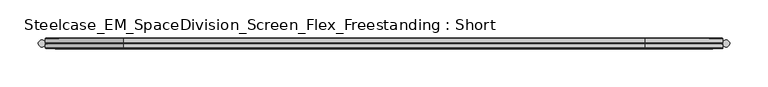
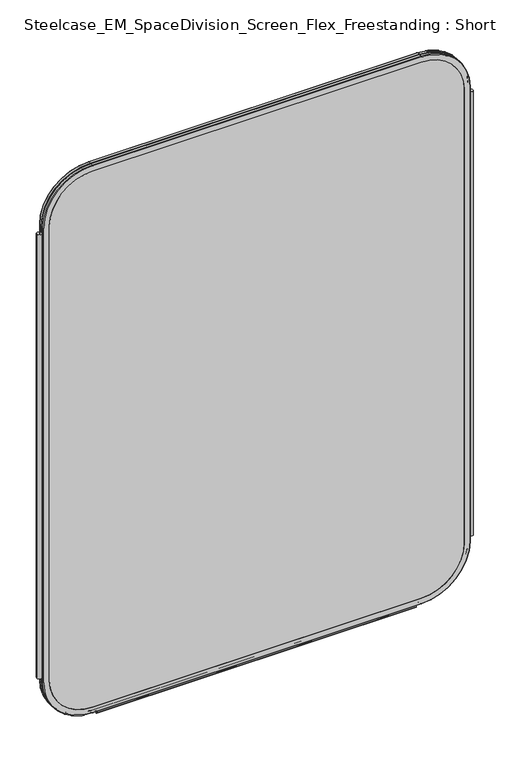
"""IFC4 building model written with IfcOpenShell, lengths in millimetres: furniture geometry, Steelcase_EM_SpaceDivision_Screen_Flex_Freestanding : Short."""

from ifc_helpers import new_model, si_unit, point, frame, frame_2d, origin, place, context, project, spatial, polyline, circle_curve, ellipse_curve, trimmed, segment, composite_curve, outline, extrude, source, transform, mapped, element, save
from ifc_brep_helpers import plane_surface, cylinder_surface, revolved_surface, advanced_brep


def steelcase_em_spacedivision_screen_flex_freestanding_short_716cc788(model_context):
    return source(origin(), model_context, "Body", "SolidModel", [
        extrude(outline(composite_curve([segment(trimmed(circle_curve(frame_2d((4.5307839, 0.0)), 4.572), [point((-0.0412161, 0.0))], [point((9.1027839, 0.0))], False, "CARTESIAN"), True, "CONTINUOUS"), segment(trimmed(circle_curve(frame_2d((4.5307839, 0.0)), 4.572), [point((9.1027839, 0.0))], [point((-0.0412161, 0.0))], False, "CARTESIAN"), True, "CONTINUOUS")], self_intersect=False)), frame((0.0, 0.0, 115.57), z_axis=(0.0, 0.0, 1.0), x_axis=(1.0, 0.0, 0.0)), (0.0, 0.0, 1.0), 968.86),
        extrude(outline(composite_curve([segment(trimmed(circle_curve(frame_2d((895.4692161, 0.0)), 4.572), [point((890.8972161, 0.0))], [point((900.0412161, 0.0))], False, "CARTESIAN"), True, "CONTINUOUS"), segment(trimmed(circle_curve(frame_2d((895.4692161, 0.0)), 4.572), [point((900.0412161, 0.0))], [point((890.8972161, 0.0))], False, "CARTESIAN"), True, "CONTINUOUS")], self_intersect=False)), frame((0.0, 0.0, 115.57), z_axis=(0.0, 0.0, 1.0), x_axis=(1.0, 0.0, 0.0)), (0.0, 0.0, 1.0), 968.86),
        extrude(outline(composite_curve([segment(trimmed(circle_curve(frame_2d((3.5, 2.4751953)), 2.5), [point((3.5, 4.9751953))], [point((1.4656663, 1.0220998))], False, "CARTESIAN"), True, "CONTINUOUS"), segment(trimmed(circle_curve(frame_2d((0.0, -0.0248047)), 1.8011626), [point((1.4656663, 1.0220998))], [point((-1.4656663, 1.0220998))], True, "CARTESIAN"), True, "CONTINUOUS"), segment(trimmed(circle_curve(frame_2d((-3.5, 2.4751953)), 2.5), [point((-1.4656663, 1.0220998))], [point((-3.5, 4.9751953))], False, "CARTESIAN"), True, "CONTINUOUS"), segment(trimmed(circle_curve(frame_2d((-3.5, 4.4751953)), 0.5), [point((-3.5, 4.9751953))], [point((-3.5, 3.9751953))], False, "CARTESIAN"), True, "CONTINUOUS"), segment(trimmed(circle_curve(frame_2d((-3.5, 2.4751953)), 1.5), [point((-3.5, 3.9751953))], [point((-2.3025096, 1.5718589))], True, "CARTESIAN"), True, "CONTINUOUS"), segment(trimmed(circle_curve(frame_2d((-10.3325937, 7.629417)), 10.0586411), [point((-2.3025096, 1.5718589))], [point((-0.714976, 4.6836248))], True, "CARTESIAN"), True, "CONTINUOUS"), segment(trimmed(circle_curve(frame_2d((0.0, 4.4646339)), 0.7477618), [point((-0.714976, 4.6836248))], [point((0.714976, 4.6836248))], False, "CARTESIAN"), True, "CONTINUOUS"), segment(trimmed(circle_curve(frame_2d((10.3325937, 7.629417)), 10.0586411), [point((0.714976, 4.6836248))], [point((2.3025096, 1.5718589))], True, "CARTESIAN"), True, "CONTINUOUS"), segment(trimmed(circle_curve(frame_2d((3.5, 2.4751953)), 1.5), [point((2.3025096, 1.5718589))], [point((3.5, 3.9751953))], True, "CARTESIAN"), True, "CONTINUOUS"), segment(trimmed(circle_curve(frame_2d((3.5, 4.4751953)), 0.5), [point((3.5, 3.9751953))], [point((3.5, 4.9751953))], False, "CARTESIAN"), True, "CONTINUOUS")], self_intersect=False)), frame((120.0, 0.0, 0.0), z_axis=(1.0, 0.0, 0.0), x_axis=(0.0, 1.0, 0.0)), (0.0, 0.0, 1.0), 660.0),
        advanced_brep(
        [(9.9273521, 0.0, 1098.4), (9.9273521, 0.0, 106.5996464), (110.7653521, 0.0, 5.7616464), (789.2594661, 0.0, 5.7616464), (890.0974661, 0.0, 106.5996464), (890.0974661, 0.0, 1098.4), (789.2594661, 0.0, 1199.238), (110.7653521, 0.0, 1199.238), (789.2594661, 0.0, 17.6996464), (110.7653521, 0.0, 17.6996464), (21.8653521, 0.0, 106.5996464), (21.8653521, 0.0, 1098.4), (110.7653521, 0.0, 1187.3), (789.2594661, 0.0, 1187.3), (878.1594661, 0.0, 1098.4), (878.1594661, 0.0, 106.5996464), (110.7653521, 0.762, 1200.0), (9.1653521, 0.762, 1098.4), (110.7653521, 6.096, 1200.0), (9.1653521, 6.096, 1098.4), (110.7653521, 6.858, 1199.238), (9.9273521, 6.858, 1098.4), (21.8653521, 6.858, 1098.4), (110.7653521, 6.858, 1187.3), (789.2594661, 0.762, 1200.0), (789.2594661, 6.096, 1200.0), (789.2594661, 6.858, 1199.238), (789.2594661, 6.858, 1187.3), (890.8594661, 0.762, 1098.4), (890.8594661, 6.096, 1098.4), (890.0974661, 6.858, 1098.4), (878.1594661, 6.858, 1098.4), (890.8594661, 0.762, 106.5996464), (890.8594661, 6.096, 106.5996464), (890.0974661, 6.858, 106.5996464), (878.1594661, 6.858, 106.5996464), (789.2594661, 0.762, 4.9996464), (789.2594661, 6.096, 4.9996464), (789.2594661, 6.858, 5.7616464), (789.2594661, 6.858, 17.6996464), (110.7653521, 0.762, 4.9996464), (110.7653521, 6.096, 4.9996464), (110.7653521, 6.858, 5.7616464), (110.7653521, 6.858, 17.6996464), (9.1653521, 0.762, 106.5996464), (9.1653521, 6.096, 106.5996464), (9.9273521, 6.858, 106.5996464), (21.8653521, 6.858, 106.5996464)],
        [
            (0, 1),
            (1, 2, circle_curve(frame((110.7653521, 0.0, 106.5996464), z_axis=(0.0, -1.0, 0.0), x_axis=(0.0, 0.0, -1.0)), 100.838)),
            (2, 3),
            (3, 4, circle_curve(frame((789.2594661, 0.0, 106.5996464), z_axis=(0.0, -1.0, 0.0), x_axis=(1.0, 0.0, 0.0)), 100.838)),
            (4, 5),
            (5, 6, circle_curve(frame((789.2594661, 0.0, 1098.4), z_axis=(0.0, -1.0, 0.0), x_axis=(0.0, 0.0, 1.0)), 100.838)),
            (6, 7),
            (7, 0, circle_curve(frame((110.7653521, 0.0, 1098.4), z_axis=(0.0, -1.0, 0.0), x_axis=(-1.0, 0.0, 0.0)), 100.838)),
            (8, 9),
            (9, 10, circle_curve(frame((110.7653521, 0.0, 106.5996464), z_axis=(0.0, 1.0, 0.0), x_axis=(0.0, 0.0, -1.0)), 88.9)),
            (10, 11),
            (11, 12, circle_curve(frame((110.7653521, 0.0, 1098.4), z_axis=(0.0, 1.0, 0.0), x_axis=(-1.0, 0.0, 0.0)), 88.9)),
            (12, 13),
            (13, 14, circle_curve(frame((789.2594661, 0.0, 1098.4), z_axis=(0.0, 1.0, 0.0), x_axis=(0.0, 0.0, 1.0)), 88.9)),
            (14, 15),
            (15, 8, circle_curve(frame((789.2594661, 0.0, 106.5996464), z_axis=(0.0, 1.0, 0.0), x_axis=(1.0, 0.0, 0.0)), 88.9)),
            (16, 17, circle_curve(frame((110.7653521, 0.762, 1098.4), z_axis=(0.0, -1.0, 0.0), x_axis=(-1.0, 0.0, 0.0)), 101.6)),
            (17, 0, circle_curve(frame((9.9273521, 0.762, 1098.4), z_axis=(0.0, 0.0, 1.0), x_axis=(-1.0, 0.0, 0.0)), 0.762)),
            (7, 16, circle_curve(frame((110.7653521, 0.762, 1199.238), z_axis=(-1.0, 0.0, 0.0), x_axis=(0.0, 0.0, 1.0)), 0.762)),
            (18, 19, circle_curve(frame((110.7653521, 6.096, 1098.4), z_axis=(0.0, -1.0, 0.0), x_axis=(-1.0, 0.0, 0.0)), 101.6)),
            (19, 17),
            (16, 18),
            (20, 21, circle_curve(frame((110.7653521, 6.858, 1098.4), z_axis=(0.0, -1.0, 0.0), x_axis=(-1.0, 0.0, 0.0)), 100.838)),
            (21, 19, circle_curve(frame((9.9273521, 6.096, 1098.4), z_axis=(0.0, 0.0, 1.0), x_axis=(-1.0, 0.0, 0.0)), 0.762)),
            (18, 20, circle_curve(frame((110.7653521, 6.096, 1199.238), z_axis=(-1.0, 0.0, 0.0), x_axis=(0.0, 0.0, 1.0)), 0.762)),
            (11, 22),
            (22, 23, circle_curve(frame((110.7653521, 6.858, 1098.4), z_axis=(0.0, 1.0, 0.0), x_axis=(-1.0, 0.0, 0.0)), 88.9)),
            (23, 12),
            (6, 24, circle_curve(frame((789.2594661, 0.762, 1199.238), z_axis=(-1.0, 0.0, 0.0), x_axis=(0.0, 0.0, 1.0)), 0.762)),
            (24, 16),
            (24, 25),
            (25, 18),
            (25, 26, circle_curve(frame((789.2594661, 6.096, 1199.238), z_axis=(-1.0, 0.0, 0.0), x_axis=(0.0, 0.0, 1.0)), 0.762)),
            (26, 20),
            (23, 27),
            (27, 13),
            (28, 24, circle_curve(frame((789.2594661, 0.762, 1098.4), z_axis=(0.0, -1.0, 0.0), x_axis=(0.0, 0.0, 1.0)), 101.6)),
            (5, 28, circle_curve(frame((890.0974661, 0.762, 1098.4), z_axis=(0.0, 0.0, 1.0), x_axis=(1.0, 0.0, 0.0)), 0.762)),
            (29, 25, circle_curve(frame((789.2594661, 6.096, 1098.4), z_axis=(0.0, -1.0, 0.0), x_axis=(0.0, 0.0, 1.0)), 101.6)),
            (28, 29),
            (30, 26, circle_curve(frame((789.2594661, 6.858, 1098.4), z_axis=(0.0, -1.0, 0.0), x_axis=(0.0, 0.0, 1.0)), 100.838)),
            (29, 30, circle_curve(frame((890.0974661, 6.096, 1098.4), z_axis=(0.0, 0.0, 1.0), x_axis=(1.0, 0.0, 0.0)), 0.762)),
            (27, 31, circle_curve(frame((789.2594661, 6.858, 1098.4), z_axis=(0.0, 1.0, 0.0), x_axis=(0.0, 0.0, 1.0)), 88.9)),
            (31, 14),
            (4, 32, circle_curve(frame((890.0974661, 0.762, 106.5996464), z_axis=(0.0, 0.0, 1.0), x_axis=(1.0, 0.0, 0.0)), 0.762)),
            (32, 28),
            (32, 33),
            (33, 29),
            (33, 34, circle_curve(frame((890.0974661, 6.096, 106.5996464), z_axis=(0.0, 0.0, 1.0), x_axis=(1.0, 0.0, 0.0)), 0.762)),
            (34, 30),
            (31, 35),
            (35, 15),
            (36, 32, circle_curve(frame((789.2594661, 0.762, 106.5996464), z_axis=(0.0, -1.0, 0.0), x_axis=(1.0, 0.0, 0.0)), 101.6)),
            (3, 36, circle_curve(frame((789.2594661, 0.762, 5.7616464), z_axis=(1.0, 0.0, 0.0), x_axis=(0.0, 0.0, -1.0)), 0.762)),
            (37, 33, circle_curve(frame((789.2594661, 6.096, 106.5996464), z_axis=(0.0, -1.0, 0.0), x_axis=(1.0, 0.0, 0.0)), 101.6)),
            (36, 37),
            (38, 34, circle_curve(frame((789.2594661, 6.858, 106.5996464), z_axis=(0.0, -1.0, 0.0), x_axis=(1.0, 0.0, 0.0)), 100.838)),
            (37, 38, circle_curve(frame((789.2594661, 6.096, 5.7616464), z_axis=(1.0, 0.0, 0.0), x_axis=(0.0, 0.0, -1.0)), 0.762)),
            (35, 39, circle_curve(frame((789.2594661, 6.858, 106.5996464), z_axis=(0.0, 1.0, 0.0), x_axis=(1.0, 0.0, 0.0)), 88.9)),
            (39, 8),
            (2, 40, circle_curve(frame((110.7653521, 0.762, 5.7616464), z_axis=(1.0, 0.0, 0.0), x_axis=(0.0, 0.0, -1.0)), 0.762)),
            (40, 36),
            (40, 41),
            (41, 37),
            (41, 42, circle_curve(frame((110.7653521, 6.096, 5.7616464), z_axis=(1.0, 0.0, 0.0), x_axis=(0.0, 0.0, -1.0)), 0.762)),
            (42, 38),
            (39, 43),
            (43, 9),
            (44, 40, circle_curve(frame((110.7653521, 0.762, 106.5996464), z_axis=(0.0, -1.0, 0.0), x_axis=(0.0, 0.0, -1.0)), 101.6)),
            (1, 44, circle_curve(frame((9.9273521, 0.762, 106.5996464), z_axis=(0.0, 0.0, -1.0), x_axis=(-1.0, 0.0, 0.0)), 0.762)),
            (45, 41, circle_curve(frame((110.7653521, 6.096, 106.5996464), z_axis=(0.0, -1.0, 0.0), x_axis=(0.0, 0.0, -1.0)), 101.6)),
            (44, 45),
            (46, 42, circle_curve(frame((110.7653521, 6.858, 106.5996464), z_axis=(0.0, -1.0, 0.0), x_axis=(0.0, 0.0, -1.0)), 100.838)),
            (45, 46, circle_curve(frame((9.9273521, 6.096, 106.5996464), z_axis=(0.0, 0.0, -1.0), x_axis=(-1.0, 0.0, 0.0)), 0.762)),
            (43, 47, circle_curve(frame((110.7653521, 6.858, 106.5996464), z_axis=(0.0, 1.0, 0.0), x_axis=(0.0, 0.0, -1.0)), 88.9)),
            (47, 10),
            (17, 44),
            (19, 45),
            (21, 46),
            (22, 47),
        ],
        [
            plane_surface(frame((21.8653521, 0.0, 106.5996464), z_axis=(0.0, -1.0, 0.0), x_axis=(0.0, 0.0, 1.0))),
            revolved_surface(trimmed(ellipse_curve(frame((9.9273521, 0.762, 1098.4), z_axis=(0.0, 0.0, -1.0), x_axis=(-1.0, 0.0, 0.0)), 0.762, 0.762), [point((9.9273521, 0.0, 1098.4))], [point((9.1653521, 0.762, 1098.4))], True, "CARTESIAN"), (110.7653521, 0.0, 1098.4), (0.0, 1.0, 0.0)),
            cylinder_surface(frame((110.7653521, 0.0, 1098.4), z_axis=(0.0, 1.0, 0.0), x_axis=(-1.0, 0.0, 0.0)), 101.6),
            revolved_surface(trimmed(ellipse_curve(frame((9.9273521, 6.096, 1098.4), z_axis=(0.0, 0.0, -1.0), x_axis=(-1.0, 0.0, 0.0)), 0.762, 0.762), [point((9.1653521, 6.096, 1098.4))], [point((9.9273521, 6.858, 1098.4))], True, "CARTESIAN"), (110.7653521, 0.0, 1098.4), (0.0, 1.0, 0.0)),
            revolved_surface(polyline([(21.865352099999996, 6.858, 1098.4), (21.865352099999996, 0.0, 1098.4)]), (110.7653521, 0.0, 1098.4), (0.0, 1.0, 0.0)),
            cylinder_surface(frame((110.7653521, 0.762, 1199.238), z_axis=(-1.0, 0.0, 0.0), x_axis=(0.0, 0.0, 1.0)), 0.762),
            plane_surface(frame((110.7653521, 0.762, 1200.0), z_axis=(0.0, 0.0, 1.0), x_axis=(1.0, 0.0, 0.0))),
            cylinder_surface(frame((110.7653521, 6.096, 1199.238), z_axis=(-1.0, 0.0, 0.0), x_axis=(0.0, 0.0, 1.0)), 0.762),
            plane_surface(frame((110.7653521, 6.858, 1187.3), z_axis=(0.0, 0.0, -1.0), x_axis=(1.0, 0.0, 0.0))),
            revolved_surface(trimmed(ellipse_curve(frame((789.2594661, 0.762, 1199.238), z_axis=(-1.0, 0.0, 0.0), x_axis=(0.0, 0.0, 1.0)), 0.762, 0.762), [point((789.2594661, 0.0, 1199.238))], [point((789.2594661, 0.762, 1200.0))], True, "CARTESIAN"), (789.2594661, 0.0, 1098.4), (0.0, 1.0, 0.0)),
            cylinder_surface(frame((789.2594661, 0.0, 1098.4), z_axis=(0.0, 1.0, 0.0), x_axis=(0.0, 0.0, 1.0)), 101.6),
            revolved_surface(trimmed(ellipse_curve(frame((789.2594661, 6.096, 1199.238), z_axis=(-1.0, 0.0, 0.0), x_axis=(0.0, 0.0, 1.0)), 0.762, 0.762), [point((789.2594661, 6.096, 1200.0))], [point((789.2594661, 6.858, 1199.238))], True, "CARTESIAN"), (789.2594661, 0.0, 1098.4), (0.0, 1.0, 0.0)),
            revolved_surface(polyline([(789.2594661, 6.858, 1187.3000000000002), (789.2594661, 0.0, 1187.3000000000002)]), (789.2594661, 0.0, 1098.4), (0.0, 1.0, 0.0)),
            cylinder_surface(frame((890.0974661, 0.762, 1098.4), z_axis=(0.0, 0.0, 1.0), x_axis=(1.0, 0.0, 0.0)), 0.762),
            plane_surface(frame((890.8594661, 0.762, 1098.4), z_axis=(1.0, 0.0, 0.0), x_axis=(0.0, 0.0, -1.0))),
            cylinder_surface(frame((890.0974661, 6.096, 1098.4), z_axis=(0.0, 0.0, 1.0), x_axis=(1.0, 0.0, 0.0)), 0.762),
            plane_surface(frame((878.1594661, 6.858, 1098.4), z_axis=(-1.0, 0.0, 0.0), x_axis=(0.0, 0.0, -1.0))),
            revolved_surface(trimmed(ellipse_curve(frame((890.0974661, 0.762, 106.5996464), z_axis=(0.0, 0.0, 1.0), x_axis=(1.0, 0.0, 0.0)), 0.762, 0.762), [point((890.0974661, 0.0, 106.5996464))], [point((890.8594661, 0.762, 106.5996464))], True, "CARTESIAN"), (789.2594661, 0.0, 106.5996464), (0.0, 1.0, 0.0)),
            cylinder_surface(frame((789.2594661, 0.0, 106.5996464), z_axis=(0.0, 1.0, 0.0), x_axis=(1.0, 0.0, 0.0)), 101.6),
            revolved_surface(trimmed(ellipse_curve(frame((890.0974661, 6.096, 106.5996464), z_axis=(0.0, 0.0, 1.0), x_axis=(1.0, 0.0, 0.0)), 0.762, 0.762), [point((890.8594661, 6.096, 106.5996464))], [point((890.0974661, 6.858, 106.5996464))], True, "CARTESIAN"), (789.2594661, 0.0, 106.5996464), (0.0, 1.0, 0.0)),
            revolved_surface(polyline([(878.1594661, 6.858, 106.5996464), (878.1594661, 0.0, 106.5996464)]), (789.2594661, 0.0, 106.5996464), (0.0, 1.0, 0.0)),
            cylinder_surface(frame((789.2594661, 0.762, 5.7616464), z_axis=(1.0, 0.0, 0.0), x_axis=(0.0, 0.0, -1.0)), 0.762),
            plane_surface(frame((789.2594661, 0.762, 4.9996464), z_axis=(0.0, 0.0, -1.0), x_axis=(-1.0, 0.0, 0.0))),
            cylinder_surface(frame((789.2594661, 6.096, 5.7616464), z_axis=(1.0, 0.0, 0.0), x_axis=(0.0, 0.0, -1.0)), 0.762),
            plane_surface(frame((789.2594661, 6.858, 17.6996464), z_axis=(0.0, 0.0, 1.0), x_axis=(-1.0, 0.0, 0.0))),
            revolved_surface(trimmed(ellipse_curve(frame((110.7653521, 0.762, 5.7616464), z_axis=(1.0, 0.0, 0.0), x_axis=(0.0, 0.0, -1.0)), 0.762, 0.762), [point((110.7653521, 0.0, 5.7616464))], [point((110.7653521, 0.762, 4.9996464))], True, "CARTESIAN"), (110.7653521, 0.0, 106.5996464), (0.0, 1.0, 0.0)),
            cylinder_surface(frame((110.7653521, 0.0, 106.5996464), z_axis=(0.0, 1.0, 0.0), x_axis=(0.0, 0.0, -1.0)), 101.6),
            revolved_surface(trimmed(ellipse_curve(frame((110.7653521, 6.096, 5.7616464), z_axis=(1.0, 0.0, 0.0), x_axis=(0.0, 0.0, -1.0)), 0.762, 0.762), [point((110.7653521, 6.096, 4.9996464))], [point((110.7653521, 6.858, 5.7616464))], True, "CARTESIAN"), (110.7653521, 0.0, 106.5996464), (0.0, 1.0, 0.0)),
            revolved_surface(polyline([(110.7653521, 6.858, 17.699646399999992), (110.7653521, 0.0, 17.699646399999992)]), (110.7653521, 0.0, 106.5996464), (0.0, 1.0, 0.0)),
            cylinder_surface(frame((9.9273521, 0.762, 106.5996464), z_axis=(0.0, 0.0, -1.0), x_axis=(-1.0, 0.0, 0.0)), 0.762),
            plane_surface(frame((9.1653521, 0.762, 106.5996464), z_axis=(-1.0, 0.0, 0.0), x_axis=(0.0, 0.0, 1.0))),
            cylinder_surface(frame((9.9273521, 6.096, 106.5996464), z_axis=(0.0, 0.0, -1.0), x_axis=(-1.0, 0.0, 0.0)), 0.762),
            plane_surface(frame((9.9273521, 6.858, 106.5996464), z_axis=(0.0, 1.0, 0.0), x_axis=(0.0, 0.0, 1.0))),
            plane_surface(frame((21.8653521, 6.858, 106.5996464), z_axis=(1.0, 0.0, 0.0), x_axis=(0.0, 0.0, 1.0))),
        ],
        [
            (0, [[1, 2, 3, 4, 5, 6, 7, 8], [9, 10, 11, 12, 13, 14, 15, 16]]),
            (1, [[17, 18, -8, 19]]),
            (2, [[20, 21, -17, 22]]),
            (3, [[23, 24, -20, 25]]),
            (4, [[-12, 26, 27, 28]]),
            (5, [[-19, -7, 29, 30]]),
            (6, [[-22, -30, 31, 32]]),
            (7, [[-25, -32, 33, 34]]),
            (8, [[-28, 35, 36, -13]]),
            (9, [[37, -29, -6, 38]]),
            (10, [[39, -31, -37, 40]]),
            (11, [[41, -33, -39, 42]]),
            (12, [[-14, -36, 43, 44]]),
            (13, [[-38, -5, 45, 46]]),
            (14, [[-40, -46, 47, 48]]),
            (15, [[-42, -48, 49, 50]]),
            (16, [[-44, 51, 52, -15]]),
            (17, [[53, -45, -4, 54]]),
            (18, [[55, -47, -53, 56]]),
            (19, [[57, -49, -55, 58]]),
            (20, [[-16, -52, 59, 60]]),
            (21, [[-54, -3, 61, 62]]),
            (22, [[-56, -62, 63, 64]]),
            (23, [[-58, -64, 65, 66]]),
            (24, [[-60, 67, 68, -9]]),
            (25, [[69, -61, -2, 70]]),
            (26, [[71, -63, -69, 72]]),
            (27, [[73, -65, -71, 74]]),
            (28, [[-10, -68, 75, 76]]),
            (29, [[-70, -1, -18, 77]]),
            (30, [[-72, -77, -21, 78]]),
            (31, [[-74, -78, -24, 79]]),
            (32, [[-66, -73, -79, -23, -34, -41, -50, -57], [80, -75, -67, -59, -51, -43, -35, -27]]),
            (33, [[-76, -80, -26, -11]]),
        ],
    ),
        extrude(outline(composite_curve([segment(polyline([(1187.3, 789.2594661), (1187.3, 110.7653521)]), True, "CONTINUOUS"), segment(trimmed(circle_curve(frame_2d((1098.4, 110.7653521)), 88.9), [point((1187.3, 110.7653521))], [point((1098.4, 21.8653521))], False, "CARTESIAN"), True, "CONTINUOUS"), segment(polyline([(1098.4, 21.8653521), (106.5996464, 21.8653521)]), True, "CONTINUOUS"), segment(trimmed(circle_curve(frame_2d((106.5996464, 110.7653521)), 88.9), [point((106.5996464, 21.8653521))], [point((17.6996464, 110.7653521))], False, "CARTESIAN"), True, "CONTINUOUS"), segment(polyline([(17.6996464, 110.7653521), (17.6996464, 789.2594661)]), True, "CONTINUOUS"), segment(trimmed(circle_curve(frame_2d((106.5996464, 789.2594661)), 88.9), [point((17.6996464, 789.2594661))], [point((106.5996464, 878.1594661))], False, "CARTESIAN"), True, "CONTINUOUS"), segment(polyline([(106.5996464, 878.1594661), (1098.4, 878.1594661)]), True, "CONTINUOUS"), segment(trimmed(circle_curve(frame_2d((1098.4, 789.2594661)), 88.9), [point((1098.4, 878.1594661))], [point((1187.3, 789.2594661))], False, "CARTESIAN"), True, "CONTINUOUS")], self_intersect=False)), frame((0.0, 0.0, 0.0), z_axis=(0.0, 1.0, 0.0), x_axis=(0.0, 0.0, 1.0)), (0.0, 0.0, 1.0), 6.858),
        advanced_brep(
        [(110.7653521, -6.858, 1187.3), (21.8653521, -6.858, 1098.4), (21.8653521, 0.0, 1098.4), (110.7653521, 0.0, 1187.3), (110.7653521, -6.096, 1200.0), (9.1653521, -6.096, 1098.4), (9.9273521, -6.858, 1098.4), (110.7653521, -6.858, 1199.238), (110.7653521, -0.762, 1200.0), (9.1653521, -0.762, 1098.4), (110.7653521, 0.0, 1199.238), (9.9273521, 0.0, 1098.4), (789.2594661, 0.0, 1187.3), (789.2594661, -6.858, 1187.3), (789.2594661, -6.858, 1199.238), (789.2594661, -6.096, 1200.0), (789.2594661, -0.762, 1200.0), (789.2594661, 0.0, 1199.238), (878.1594661, -6.858, 1098.4), (878.1594661, 0.0, 1098.4), (890.8594661, -6.096, 1098.4), (890.0974661, -6.858, 1098.4), (890.8594661, -0.762, 1098.4), (890.0974661, 0.0, 1098.4), (878.1594661, 0.0, 106.5996464), (878.1594661, -6.858, 106.5996464), (890.0974661, -6.858, 106.5996464), (890.8594661, -6.096, 106.5996464), (890.8594661, -0.762, 106.5996464), (890.0974661, 0.0, 106.5996464), (789.2594661, -6.858, 17.6996464), (789.2594661, 0.0, 17.6996464), (789.2594661, -6.096, 4.9996464), (789.2594661, -6.858, 5.7616464), (789.2594661, -0.762, 4.9996464), (789.2594661, 0.0, 5.7616464), (110.7653521, 0.0, 17.6996464), (110.7653521, -6.858, 17.6996464), (110.7653521, -6.858, 5.7616464), (110.7653521, -6.096, 4.9996464), (110.7653521, -0.762, 4.9996464), (110.7653521, 0.0, 5.7616464), (21.8653521, -6.858, 106.5996464), (21.8653521, 0.0, 106.5996464), (9.1653521, -6.096, 106.5996464), (9.9273521, -6.858, 106.5996464), (9.1653521, -0.762, 106.5996464), (9.9273521, 0.0, 106.5996464)],
        [
            (0, 1, circle_curve(frame((110.7653521, -6.858, 1098.4), z_axis=(0.0, -1.0, 0.0), x_axis=(-1.0, 0.0, 0.0)), 88.9)),
            (1, 2),
            (2, 3, circle_curve(frame((110.7653521, 0.0, 1098.4), z_axis=(0.0, 1.0, 0.0), x_axis=(-1.0, 0.0, 0.0)), 88.9)),
            (3, 0),
            (4, 5, circle_curve(frame((110.7653521, -6.096, 1098.4), z_axis=(0.0, -1.0, 0.0), x_axis=(-1.0, 0.0, 0.0)), 101.6)),
            (5, 6, circle_curve(frame((9.9273521, -6.096, 1098.4), z_axis=(0.0, 0.0, 1.0), x_axis=(-1.0, 0.0, 0.0)), 0.762)),
            (6, 7, circle_curve(frame((110.7653521, -6.858, 1098.4), z_axis=(0.0, 1.0, 0.0), x_axis=(-1.0, 0.0, 0.0)), 100.838)),
            (7, 4, circle_curve(frame((110.7653521, -6.096, 1199.238), z_axis=(-1.0, 0.0, 0.0), x_axis=(0.0, 0.0, 1.0)), 0.762)),
            (8, 9, circle_curve(frame((110.7653521, -0.762, 1098.4), z_axis=(0.0, -1.0, 0.0), x_axis=(-1.0, 0.0, 0.0)), 101.6)),
            (9, 5),
            (4, 8),
            (10, 11, circle_curve(frame((110.7653521, 0.0, 1098.4), z_axis=(0.0, -1.0, 0.0), x_axis=(-1.0, 0.0, 0.0)), 100.838)),
            (11, 9, circle_curve(frame((9.9273521, -0.762, 1098.4), z_axis=(0.0, 0.0, 1.0), x_axis=(-1.0, 0.0, 0.0)), 0.762)),
            (8, 10, circle_curve(frame((110.7653521, -0.762, 1199.238), z_axis=(-1.0, 0.0, 0.0), x_axis=(0.0, 0.0, 1.0)), 0.762)),
            (3, 12),
            (12, 13),
            (13, 0),
            (7, 14),
            (14, 15, circle_curve(frame((789.2594661, -6.096, 1199.238), z_axis=(-1.0, 0.0, 0.0), x_axis=(0.0, 0.0, 1.0)), 0.762)),
            (15, 4),
            (15, 16),
            (16, 8),
            (16, 17, circle_curve(frame((789.2594661, -0.762, 1199.238), z_axis=(-1.0, 0.0, 0.0), x_axis=(0.0, 0.0, 1.0)), 0.762)),
            (17, 10),
            (18, 13, circle_curve(frame((789.2594661, -6.858, 1098.4), z_axis=(0.0, -1.0, 0.0), x_axis=(0.0, 0.0, 1.0)), 88.9)),
            (12, 19, circle_curve(frame((789.2594661, 0.0, 1098.4), z_axis=(0.0, 1.0, 0.0), x_axis=(0.0, 0.0, 1.0)), 88.9)),
            (19, 18),
            (20, 15, circle_curve(frame((789.2594661, -6.096, 1098.4), z_axis=(0.0, -1.0, 0.0), x_axis=(0.0, 0.0, 1.0)), 101.6)),
            (14, 21, circle_curve(frame((789.2594661, -6.858, 1098.4), z_axis=(0.0, 1.0, 0.0), x_axis=(0.0, 0.0, 1.0)), 100.838)),
            (21, 20, circle_curve(frame((890.0974661, -6.096, 1098.4), z_axis=(0.0, 0.0, 1.0), x_axis=(1.0, 0.0, 0.0)), 0.762)),
            (22, 16, circle_curve(frame((789.2594661, -0.762, 1098.4), z_axis=(0.0, -1.0, 0.0), x_axis=(0.0, 0.0, 1.0)), 101.6)),
            (20, 22),
            (23, 17, circle_curve(frame((789.2594661, 0.0, 1098.4), z_axis=(0.0, -1.0, 0.0), x_axis=(0.0, 0.0, 1.0)), 100.838)),
            (22, 23, circle_curve(frame((890.0974661, -0.762, 1098.4), z_axis=(0.0, 0.0, 1.0), x_axis=(1.0, 0.0, 0.0)), 0.762)),
            (19, 24),
            (24, 25),
            (25, 18),
            (21, 26),
            (26, 27, circle_curve(frame((890.0974661, -6.096, 106.5996464), z_axis=(0.0, 0.0, 1.0), x_axis=(1.0, 0.0, 0.0)), 0.762)),
            (27, 20),
            (27, 28),
            (28, 22),
            (28, 29, circle_curve(frame((890.0974661, -0.762, 106.5996464), z_axis=(0.0, 0.0, 1.0), x_axis=(1.0, 0.0, 0.0)), 0.762)),
            (29, 23),
            (30, 25, circle_curve(frame((789.2594661, -6.858, 106.5996464), z_axis=(0.0, -1.0, 0.0), x_axis=(1.0, 0.0, 0.0)), 88.9)),
            (24, 31, circle_curve(frame((789.2594661, 0.0, 106.5996464), z_axis=(0.0, 1.0, 0.0), x_axis=(1.0, 0.0, 0.0)), 88.9)),
            (31, 30),
            (32, 27, circle_curve(frame((789.2594661, -6.096, 106.5996464), z_axis=(0.0, -1.0, 0.0), x_axis=(1.0, 0.0, 0.0)), 101.6)),
            (26, 33, circle_curve(frame((789.2594661, -6.858, 106.5996464), z_axis=(0.0, 1.0, 0.0), x_axis=(1.0, 0.0, 0.0)), 100.838)),
            (33, 32, circle_curve(frame((789.2594661, -6.096, 5.7616464), z_axis=(1.0, 0.0, 0.0), x_axis=(0.0, 0.0, -1.0)), 0.762)),
            (34, 28, circle_curve(frame((789.2594661, -0.762, 106.5996464), z_axis=(0.0, -1.0, 0.0), x_axis=(1.0, 0.0, 0.0)), 101.6)),
            (32, 34),
            (35, 29, circle_curve(frame((789.2594661, 0.0, 106.5996464), z_axis=(0.0, -1.0, 0.0), x_axis=(1.0, 0.0, 0.0)), 100.838)),
            (34, 35, circle_curve(frame((789.2594661, -0.762, 5.7616464), z_axis=(1.0, 0.0, 0.0), x_axis=(0.0, 0.0, -1.0)), 0.762)),
            (31, 36),
            (36, 37),
            (37, 30),
            (33, 38),
            (38, 39, circle_curve(frame((110.7653521, -6.096, 5.7616464), z_axis=(1.0, 0.0, 0.0), x_axis=(0.0, 0.0, -1.0)), 0.762)),
            (39, 32),
            (39, 40),
            (40, 34),
            (40, 41, circle_curve(frame((110.7653521, -0.762, 5.7616464), z_axis=(1.0, 0.0, 0.0), x_axis=(0.0, 0.0, -1.0)), 0.762)),
            (41, 35),
            (42, 37, circle_curve(frame((110.7653521, -6.858, 106.5996464), z_axis=(0.0, -1.0, 0.0), x_axis=(0.0, 0.0, -1.0)), 88.9)),
            (36, 43, circle_curve(frame((110.7653521, 0.0, 106.5996464), z_axis=(0.0, 1.0, 0.0), x_axis=(0.0, 0.0, -1.0)), 88.9)),
            (43, 42),
            (44, 39, circle_curve(frame((110.7653521, -6.096, 106.5996464), z_axis=(0.0, -1.0, 0.0), x_axis=(0.0, 0.0, -1.0)), 101.6)),
            (38, 45, circle_curve(frame((110.7653521, -6.858, 106.5996464), z_axis=(0.0, 1.0, 0.0), x_axis=(0.0, 0.0, -1.0)), 100.838)),
            (45, 44, circle_curve(frame((9.9273521, -6.096, 106.5996464), z_axis=(0.0, 0.0, -1.0), x_axis=(-1.0, 0.0, 0.0)), 0.762)),
            (46, 40, circle_curve(frame((110.7653521, -0.762, 106.5996464), z_axis=(0.0, -1.0, 0.0), x_axis=(0.0, 0.0, -1.0)), 101.6)),
            (44, 46),
            (47, 41, circle_curve(frame((110.7653521, 0.0, 106.5996464), z_axis=(0.0, -1.0, 0.0), x_axis=(0.0, 0.0, -1.0)), 100.838)),
            (46, 47, circle_curve(frame((9.9273521, -0.762, 106.5996464), z_axis=(0.0, 0.0, -1.0), x_axis=(-1.0, 0.0, 0.0)), 0.762)),
            (43, 2),
            (1, 42),
            (6, 45),
            (5, 44),
            (9, 46),
            (11, 47),
        ],
        [
            revolved_surface(polyline([(21.865352099999996, 0.0, 1098.4), (21.865352099999996, -6.858, 1098.4)]), (110.7653521, 0.0, 1098.4), (0.0, 1.0, 0.0)),
            revolved_surface(trimmed(ellipse_curve(frame((9.9273521, -6.096, 1098.4), z_axis=(0.0, 0.0, -1.0), x_axis=(-1.0, 0.0, 0.0)), 0.762, 0.762), [point((9.9273521, -6.858, 1098.4))], [point((9.1653521, -6.096, 1098.4))], True, "CARTESIAN"), (110.7653521, 0.0, 1098.4), (0.0, 1.0, 0.0)),
            cylinder_surface(frame((110.7653521, 0.0, 1098.4), z_axis=(0.0, 1.0, 0.0), x_axis=(-1.0, 0.0, 0.0)), 101.6),
            revolved_surface(trimmed(ellipse_curve(frame((9.9273521, -0.762, 1098.4), z_axis=(0.0, 0.0, -1.0), x_axis=(-1.0, 0.0, 0.0)), 0.762, 0.762), [point((9.1653521, -0.762, 1098.4))], [point((9.9273521, 0.0, 1098.4))], True, "CARTESIAN"), (110.7653521, 0.0, 1098.4), (0.0, 1.0, 0.0)),
            plane_surface(frame((110.7653521, 0.0, 1187.3), z_axis=(0.0, 0.0, -1.0), x_axis=(1.0, 0.0, 0.0))),
            cylinder_surface(frame((110.7653521, -6.096, 1199.238), z_axis=(-1.0, 0.0, 0.0), x_axis=(0.0, 0.0, 1.0)), 0.762),
            plane_surface(frame((110.7653521, -6.096, 1200.0), z_axis=(0.0, 0.0, 1.0), x_axis=(1.0, 0.0, 0.0))),
            cylinder_surface(frame((110.7653521, -0.762, 1199.238), z_axis=(-1.0, 0.0, 0.0), x_axis=(0.0, 0.0, 1.0)), 0.762),
            revolved_surface(polyline([(789.2594661, 0.0, 1187.3000000000002), (789.2594661, -6.858, 1187.3000000000002)]), (789.2594661, 0.0, 1098.4), (0.0, 1.0, 0.0)),
            revolved_surface(trimmed(ellipse_curve(frame((789.2594661, -6.096, 1199.238), z_axis=(-1.0, 0.0, 0.0), x_axis=(0.0, 0.0, 1.0)), 0.762, 0.762), [point((789.2594661, -6.858, 1199.238))], [point((789.2594661, -6.096, 1200.0))], True, "CARTESIAN"), (789.2594661, 0.0, 1098.4), (0.0, 1.0, 0.0)),
            cylinder_surface(frame((789.2594661, 0.0, 1098.4), z_axis=(0.0, 1.0, 0.0), x_axis=(0.0, 0.0, 1.0)), 101.6),
            revolved_surface(trimmed(ellipse_curve(frame((789.2594661, -0.762, 1199.238), z_axis=(-1.0, 0.0, 0.0), x_axis=(0.0, 0.0, 1.0)), 0.762, 0.762), [point((789.2594661, -0.762, 1200.0))], [point((789.2594661, 0.0, 1199.238))], True, "CARTESIAN"), (789.2594661, 0.0, 1098.4), (0.0, 1.0, 0.0)),
            plane_surface(frame((878.1594661, 0.0, 1098.4), z_axis=(-1.0, 0.0, 0.0), x_axis=(0.0, 0.0, -1.0))),
            cylinder_surface(frame((890.0974661, -6.096, 1098.4), z_axis=(0.0, 0.0, 1.0), x_axis=(1.0, 0.0, 0.0)), 0.762),
            plane_surface(frame((890.8594661, -6.096, 1098.4), z_axis=(1.0, 0.0, 0.0), x_axis=(0.0, 0.0, -1.0))),
            cylinder_surface(frame((890.0974661, -0.762, 1098.4), z_axis=(0.0, 0.0, 1.0), x_axis=(1.0, 0.0, 0.0)), 0.762),
            revolved_surface(polyline([(878.1594661, 0.0, 106.5996464), (878.1594661, -6.858, 106.5996464)]), (789.2594661, 0.0, 106.5996464), (0.0, 1.0, 0.0)),
            revolved_surface(trimmed(ellipse_curve(frame((890.0974661, -6.096, 106.5996464), z_axis=(0.0, 0.0, 1.0), x_axis=(1.0, 0.0, 0.0)), 0.762, 0.762), [point((890.0974661, -6.858, 106.5996464))], [point((890.8594661, -6.096, 106.5996464))], True, "CARTESIAN"), (789.2594661, 0.0, 106.5996464), (0.0, 1.0, 0.0)),
            cylinder_surface(frame((789.2594661, 0.0, 106.5996464), z_axis=(0.0, 1.0, 0.0), x_axis=(1.0, 0.0, 0.0)), 101.6),
            revolved_surface(trimmed(ellipse_curve(frame((890.0974661, -0.762, 106.5996464), z_axis=(0.0, 0.0, 1.0), x_axis=(1.0, 0.0, 0.0)), 0.762, 0.762), [point((890.8594661, -0.762, 106.5996464))], [point((890.0974661, 0.0, 106.5996464))], True, "CARTESIAN"), (789.2594661, 0.0, 106.5996464), (0.0, 1.0, 0.0)),
            plane_surface(frame((789.2594661, 0.0, 17.6996464), z_axis=(0.0, 0.0, 1.0), x_axis=(-1.0, 0.0, 0.0))),
            cylinder_surface(frame((789.2594661, -6.096, 5.7616464), z_axis=(1.0, 0.0, 0.0), x_axis=(0.0, 0.0, -1.0)), 0.762),
            plane_surface(frame((789.2594661, -6.096, 4.9996464), z_axis=(0.0, 0.0, -1.0), x_axis=(-1.0, 0.0, 0.0))),
            cylinder_surface(frame((789.2594661, -0.762, 5.7616464), z_axis=(1.0, 0.0, 0.0), x_axis=(0.0, 0.0, -1.0)), 0.762),
            revolved_surface(polyline([(110.7653521, 0.0, 17.699646399999992), (110.7653521, -6.858, 17.699646399999992)]), (110.7653521, 0.0, 106.5996464), (0.0, 1.0, 0.0)),
            revolved_surface(trimmed(ellipse_curve(frame((110.7653521, -6.096, 5.7616464), z_axis=(1.0, 0.0, 0.0), x_axis=(0.0, 0.0, -1.0)), 0.762, 0.762), [point((110.7653521, -6.858, 5.7616464))], [point((110.7653521, -6.096, 4.9996464))], True, "CARTESIAN"), (110.7653521, 0.0, 106.5996464), (0.0, 1.0, 0.0)),
            cylinder_surface(frame((110.7653521, 0.0, 106.5996464), z_axis=(0.0, 1.0, 0.0), x_axis=(0.0, 0.0, -1.0)), 101.6),
            revolved_surface(trimmed(ellipse_curve(frame((110.7653521, -0.762, 5.7616464), z_axis=(1.0, 0.0, 0.0), x_axis=(0.0, 0.0, -1.0)), 0.762, 0.762), [point((110.7653521, -0.762, 4.9996464))], [point((110.7653521, 0.0, 5.7616464))], True, "CARTESIAN"), (110.7653521, 0.0, 106.5996464), (0.0, 1.0, 0.0)),
            plane_surface(frame((21.8653521, 0.0, 106.5996464), z_axis=(1.0, 0.0, 0.0), x_axis=(0.0, 0.0, 1.0))),
            plane_surface(frame((21.8653521, -6.858, 106.5996464), z_axis=(0.0, -1.0, 0.0), x_axis=(0.0, 0.0, 1.0))),
            cylinder_surface(frame((9.9273521, -6.096, 106.5996464), z_axis=(0.0, 0.0, -1.0), x_axis=(-1.0, 0.0, 0.0)), 0.762),
            plane_surface(frame((9.1653521, -6.096, 106.5996464), z_axis=(-1.0, 0.0, 0.0), x_axis=(0.0, 0.0, 1.0))),
            cylinder_surface(frame((9.9273521, -0.762, 106.5996464), z_axis=(0.0, 0.0, -1.0), x_axis=(-1.0, 0.0, 0.0)), 0.762),
            plane_surface(frame((9.9273521, 0.0, 106.5996464), z_axis=(0.0, 1.0, 0.0), x_axis=(0.0, 0.0, 1.0))),
        ],
        [
            (0, [[1, 2, 3, 4]]),
            (1, [[5, 6, 7, 8]]),
            (2, [[9, 10, -5, 11]]),
            (3, [[12, 13, -9, 14]]),
            (4, [[-4, 15, 16, 17]]),
            (5, [[-8, 18, 19, 20]]),
            (6, [[-11, -20, 21, 22]]),
            (7, [[-14, -22, 23, 24]]),
            (8, [[25, -16, 26, 27]]),
            (9, [[28, -19, 29, 30]]),
            (10, [[31, -21, -28, 32]]),
            (11, [[33, -23, -31, 34]]),
            (12, [[-27, 35, 36, 37]]),
            (13, [[-30, 38, 39, 40]]),
            (14, [[-32, -40, 41, 42]]),
            (15, [[-34, -42, 43, 44]]),
            (16, [[45, -36, 46, 47]]),
            (17, [[48, -39, 49, 50]]),
            (18, [[51, -41, -48, 52]]),
            (19, [[53, -43, -51, 54]]),
            (20, [[-47, 55, 56, 57]]),
            (21, [[-50, 58, 59, 60]]),
            (22, [[-52, -60, 61, 62]]),
            (23, [[-54, -62, 63, 64]]),
            (24, [[65, -56, 66, 67]]),
            (25, [[68, -59, 69, 70]]),
            (26, [[71, -61, -68, 72]]),
            (27, [[73, -63, -71, 74]]),
            (28, [[-67, 75, -2, 76]]),
            (29, [[77, -69, -58, -49, -38, -29, -18, -7], [-57, -65, -76, -1, -17, -25, -37, -45]]),
            (30, [[-70, -77, -6, 78]]),
            (31, [[-72, -78, -10, 79]]),
            (32, [[-74, -79, -13, 80]]),
            (33, [[-64, -73, -80, -12, -24, -33, -44, -53], [-75, -66, -55, -46, -35, -26, -15, -3]]),
        ],
    ),
        extrude(outline(composite_curve([segment(polyline([(1187.3, 789.2594661), (1187.3, 110.7653521)]), True, "CONTINUOUS"), segment(trimmed(circle_curve(frame_2d((1098.4, 110.7653521)), 88.9), [point((1187.3, 110.7653521))], [point((1098.4, 21.8653521))], False, "CARTESIAN"), True, "CONTINUOUS"), segment(polyline([(1098.4, 21.8653521), (106.5996464, 21.8653521)]), True, "CONTINUOUS"), segment(trimmed(circle_curve(frame_2d((106.5996464, 110.7653521)), 88.9), [point((106.5996464, 21.8653521))], [point((17.6996464, 110.7653521))], False, "CARTESIAN"), True, "CONTINUOUS"), segment(polyline([(17.6996464, 110.7653521), (17.6996464, 789.2594661)]), True, "CONTINUOUS"), segment(trimmed(circle_curve(frame_2d((106.5996464, 789.2594661)), 88.9), [point((17.6996464, 789.2594661))], [point((106.5996464, 878.1594661))], False, "CARTESIAN"), True, "CONTINUOUS"), segment(polyline([(106.5996464, 878.1594661), (1098.4, 878.1594661)]), True, "CONTINUOUS"), segment(trimmed(circle_curve(frame_2d((1098.4, 789.2594661)), 88.9), [point((1098.4, 878.1594661))], [point((1187.3, 789.2594661))], False, "CARTESIAN"), True, "CONTINUOUS")], self_intersect=False)), frame((0.0, -6.858, 0.0), z_axis=(0.0, 1.0, 0.0), x_axis=(0.0, 0.0, 1.0)), (0.0, 0.0, 1.0), 6.858),
    ])


if __name__ == "__main__":
    model = new_model("IFC4")
    model_context = context("Model", 3, world=origin())
    ifc_project = project(units=[si_unit("LENGTHUNIT", "METRE", prefix="MILLI")], contexts=[model_context])
    site = spatial("IfcSite", under=ifc_project)
    building = spatial("IfcBuilding", under=site)
    placement = place(None, origin())
    steelcase_em_spacedivision_screen_flex_freestanding_short_shape = steelcase_em_spacedivision_screen_flex_freestanding_short_716cc788(model_context)
    element("IfcFurniture", 1, ObjectType="Steelcase_EM_SpaceDivision_Screen_Flex_Freestanding : Short", at=placement, inside=building, context=model_context, shape_type="MappedRepresentation", body=[
        mapped(steelcase_em_spacedivision_screen_flex_freestanding_short_shape, transform((0.0, 0.0, 0.0), x_axis=(1.0, 0.0, 0.0), y_axis=(0.0, 1.0, 0.0), z_axis=(0.0, 0.0, 1.0))),
    ])
    save(model, "model.ifc")
